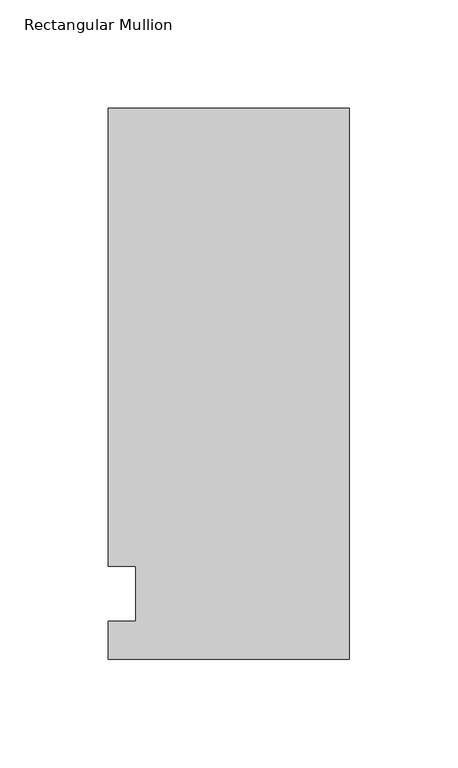
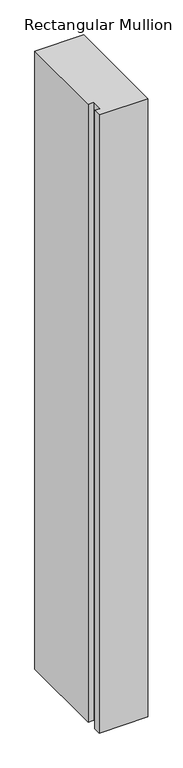
"""IFC4 building model written with IfcOpenShell, lengths in millimetres: member geometry, Rectangular Mullion."""

import ifcopenshell
import ifcopenshell.guid

model = None  # the IFC model being written
_history = None  # IfcOwnerHistory: only IFC2X3 demands one
_inside = {}  # id of a spatial element -> (the spatial element, [elements in it])
_under = {}  # id of a project, library or spatial element -> (it, [spatial elements below it])
_declared = {}  # id of a project -> (the project, [libraries it declares])
_typed = {}  # id of a type object -> (the type object, [elements of that type])
_made_of = {}  # id of a material, layer set ... -> (it, [elements and type objects made of it])


def new_model(schema):
    """Start an empty IFC model of exactly this schema.

    Asked for "IFC4X3", IfcOpenShell would pick the latest addendum, in which some entities
    have other attributes; the version numbers below select the first issue.
    IFC2X3 requires an IfcOwnerHistory on every rooted entity: one is made here for all.
    """
    global model, _history
    if schema == "IFC4X3":
        model = ifcopenshell.file(schema_version=(4, 3, 0, 0))
    else:
        model = ifcopenshell.file(schema=schema)
    _inside.clear()
    _under.clear()
    _declared.clear()
    _typed.clear()
    _made_of.clear()
    _history = None
    if model.schema == "IFC2X3":
        org = make("IfcOrganization", Name="unknown")
        user = make(
            "IfcPersonAndOrganization",
            ThePerson=make("IfcPerson", FamilyName="unknown"),
            TheOrganization=org,
        )
        app = make(
            "IfcApplication",
            ApplicationDeveloper=org,
            Version="unknown",
            ApplicationFullName="unknown",
            ApplicationIdentifier="unknown",
        )
        _history = make(
            "IfcOwnerHistory",
            OwningUser=user,
            OwningApplication=app,
            ChangeAction="ADDED",
            CreationDate=0,
        )
    return model


def make(cls, **values):
    """One entity of the class cls with the attributes given. An attribute that is None is left unset."""
    return model.create_entity(
        cls, **{name: value for name, value in values.items() if value is not None}
    )


def rooted(cls, **values):
    """An entity with a GlobalId (a new one), such as an element, a storey or a relation."""
    return make(cls, GlobalId=ifcopenshell.guid.new(), OwnerHistory=_history, **values)


def si_unit(unit_type, name, prefix=None):
    """IfcSIUnit, for example si_unit("LENGTHUNIT", "METRE", prefix="MILLI")."""
    return make("IfcSIUnit", UnitType=unit_type, Prefix=prefix, Name=name)


def assignment(units):
    """IfcUnitAssignment: the units of a project."""
    return None if units is None else make("IfcUnitAssignment", Units=units)


def point(xyz):
    """IfcCartesianPoint."""
    return None if xyz is None else make("IfcCartesianPoint", Coordinates=xyz)


def direction(xyz):
    """IfcDirection."""
    return None if xyz is None else make("IfcDirection", DirectionRatios=xyz)


def frame(location, z_axis=None, x_axis=None):
    """IfcAxis2Placement3D, a coordinate frame: its origin and axes. An axis left out is left unset."""
    return make(
        "IfcAxis2Placement3D",
        Location=point(location),
        Axis=direction(z_axis),
        RefDirection=direction(x_axis),
    )


def origin():
    """The frame at (0, 0, 0) with its axes left unset."""
    return frame((0.0, 0.0, 0.0))


def place(relative_to, where):
    """IfcLocalPlacement: puts the frame where relative to a parent placement (None: the world)."""
    return make(
        "IfcLocalPlacement", PlacementRelTo=relative_to, RelativePlacement=where
    )


def context(
    kind, dimensions, precision=None, world=None, true_north=None, identifier=None
):
    """IfcGeometricRepresentationContext, for example the 3D "Model" context."""
    return make(
        "IfcGeometricRepresentationContext",
        ContextIdentifier=identifier,
        ContextType=kind,
        CoordinateSpaceDimension=dimensions,
        Precision=precision,
        WorldCoordinateSystem=world,
        TrueNorth=true_north,
    )


def project(units=None, contexts=None):
    """IfcProject with its units and contexts."""
    return rooted(
        "IfcProject",
        Name="project",
        RepresentationContexts=contexts,
        UnitsInContext=assignment(units),
    )


def spatial(cls, under=None, at=None, **own):
    """A site, building, storey or space (cls), placed at a placement, below another one or the project."""
    s = rooted(cls, ObjectPlacement=at, **own)
    if under is not None:
        _under.setdefault(under.id(), (under, []))[1].append(s)
    return s


def polyline(points):
    """IfcPolyline through the points."""
    return make("IfcPolyline", Points=[point(p) for p in points])


def outline(outer, holes=None, kind="AREA"):
    """IfcArbitraryClosedProfileDef: a profile drawn as a closed curve; with holes, ...WithVoids."""
    if holes is None:
        return make("IfcArbitraryClosedProfileDef", ProfileType=kind, OuterCurve=outer)
    return make(
        "IfcArbitraryProfileDefWithVoids",
        ProfileType=kind,
        OuterCurve=outer,
        InnerCurves=holes,
    )


def extrude(swept, where, along, depth):
    """IfcExtrudedAreaSolid: the profile swept, set in the frame where, extruded along a direction by depth."""
    return make(
        "IfcExtrudedAreaSolid",
        SweptArea=swept,
        Position=where,
        ExtrudedDirection=direction(along),
        Depth=depth,
    )


def shape(context_of_items, identifier, shape_type, items):
    """IfcShapeRepresentation: the items that make up one representation, for example the "Body"."""
    return make(
        "IfcShapeRepresentation",
        ContextOfItems=context_of_items,
        RepresentationIdentifier=identifier,
        RepresentationType=shape_type,
        Items=items,
    )


def source(mapping_origin, context_of_items, identifier, shape_type, items):
    """IfcRepresentationMap: a shape defined once, which mapped items show again and again."""
    return make(
        "IfcRepresentationMap",
        MappingOrigin=mapping_origin,
        MappedRepresentation=shape(context_of_items, identifier, shape_type, items),
    )


def transform(
    local_origin,
    x_axis=None,
    y_axis=None,
    z_axis=None,
    scale=None,
    scale2=None,
    scale3=None,
    uniform=True,
):
    """IfcCartesianTransformationOperator3D, or its non-uniform kind. x_axis, y_axis, z_axis: its Axis1, 2, 3."""
    if uniform:
        return make(
            "IfcCartesianTransformationOperator3D",
            Axis1=direction(x_axis),
            Axis2=direction(y_axis),
            LocalOrigin=point(local_origin),
            Scale=scale,
            Axis3=direction(z_axis),
        )
    return make(
        "IfcCartesianTransformationOperator3DnonUniform",
        Axis1=direction(x_axis),
        Axis2=direction(y_axis),
        LocalOrigin=point(local_origin),
        Scale=scale,
        Axis3=direction(z_axis),
        Scale2=scale2,
        Scale3=scale3,
    )


def mapped(mapping_source, mapping_target):
    """IfcMappedItem: shows the shape of a source again, moved by a transform."""
    return make(
        "IfcMappedItem", MappingSource=mapping_source, MappingTarget=mapping_target
    )


def made_of(thing, what):
    """Note that an element or type object is made of a material, layer set ...; save() writes the relation."""
    if what is not None:
        _made_of.setdefault(what.id(), (what, []))[1].append(thing)
    return thing


def element(
    cls,
    number,
    at=None,
    inside=None,
    cuts=None,
    type_object=None,
    material=None,
    context=None,
    identifier="Body",
    shape_type=None,
    held_by="IfcProductDefinitionShape",
    body=None,
    shapes=None,
    **own,
):
    """One element of the class cls, such as IfcWall. Its Tag is "e" and its number.

    at: its placement. inside: the storey or other place that contains it. cuts: it is an
    opening in that element (IfcRelVoidsElement). A single representation is given by context,
    identifier, shape_type and body (its items); several are given by shapes. held_by: the class
    of the entity that holds the representations. save() writes the other relations.
    """
    e = rooted(cls, Tag="e%d" % number, ObjectPlacement=at, **own)
    if body is not None:
        shapes = [shape(context, identifier, shape_type, body)]
    if shapes is not None:
        e.Representation = make(held_by, Representations=shapes)
    if inside is not None:
        _inside.setdefault(inside.id(), (inside, []))[1].append(e)
    if cuts is not None:
        rooted(
            "IfcRelVoidsElement", RelatingBuildingElement=cuts, RelatedOpeningElement=e
        )
    if type_object is not None:
        _typed.setdefault(type_object.id(), (type_object, []))[1].append(e)
    return made_of(e, material)


def aggregate(whole, parts):
    """IfcRelAggregates: a whole, such as a stair, and the parts it consists of."""
    return rooted("IfcRelAggregates", RelatingObject=whole, RelatedObjects=parts)


def save(model, path):
    """Write the relations noted so far, then the file.

    IfcRelAggregates (storeys below a building ...), IfcRelContainedInSpatialStructure (elements
    in a storey), IfcRelDefinesByType, IfcRelAssociatesMaterial and IfcRelDeclares: one each for
    every whole, place, type object, material and project.
    """
    for whole, parts in _under.values():
        aggregate(whole, parts)
    for where, things in _inside.values():
        rooted(
            "IfcRelContainedInSpatialStructure",
            RelatedElements=things,
            RelatingStructure=where,
        )
    for kind, things in _typed.values():
        rooted("IfcRelDefinesByType", RelatedObjects=things, RelatingType=kind)
    for what, things in _made_of.values():
        rooted("IfcRelAssociatesMaterial", RelatedObjects=things, RelatingMaterial=what)
    for by, libraries in _declared.values():
        rooted("IfcRelDeclares", RelatingContext=by, RelatedDefinitions=libraries)
    model.write(path)


def rectangular_mullion_134c1f54(model_context):
    return source(origin(), model_context, "Body", "SweptSolid", [
        extrude(outline(polyline([(-111.125, 223.8375), (0.0, 223.8375), (0.0, -30.1625), (-111.125, -30.1625), (-111.125, -12.7), (-98.4232296, -12.7), (-98.4232296, 12.7), (-111.125, 12.7), (-111.125, 223.8375)])), frame((0.0, 0.0, -1493.52), z_axis=(0.0, 0.0, 1.0), x_axis=(1.0, 0.0, 0.0)), (0.0, 0.0, 1.0), 1493.52),
    ])


if __name__ == "__main__":
    model = new_model("IFC4")
    model_context = context("Model", 3, world=origin())
    ifc_project = project(units=[si_unit("LENGTHUNIT", "METRE", prefix="MILLI")], contexts=[model_context])
    site = spatial("IfcSite", under=ifc_project)
    building = spatial("IfcBuilding", under=site)
    placement = place(None, origin())
    rectangular_mullion_shape = rectangular_mullion_134c1f54(model_context)
    element("IfcMember", 1, ObjectType="Rectangular Mullion", at=placement, inside=building, context=model_context, shape_type="MappedRepresentation", body=[
        mapped(rectangular_mullion_shape, transform((0.0, 0.0, 0.0), x_axis=(1.0, 0.0, 0.0), y_axis=(0.0, 1.0, 0.0), z_axis=(0.0, 0.0, 1.0))),
    ])
    save(model, "model.ifc")
